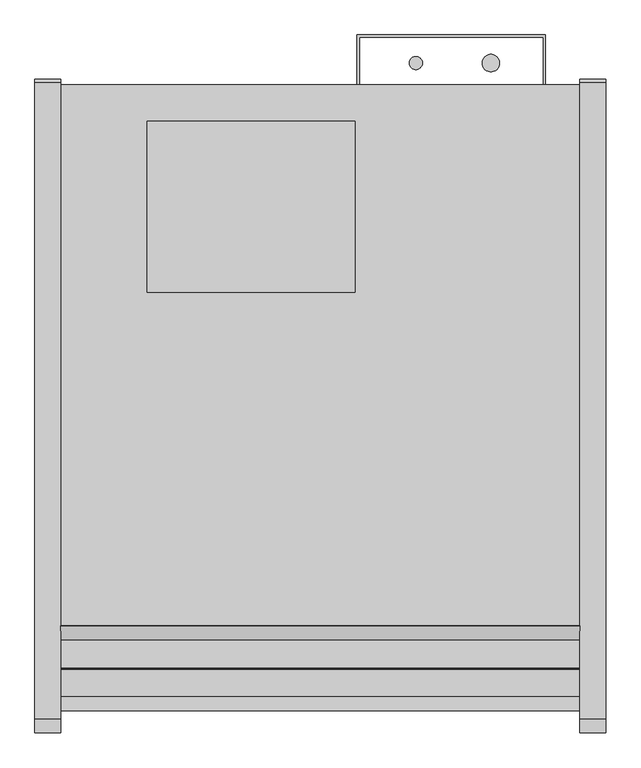
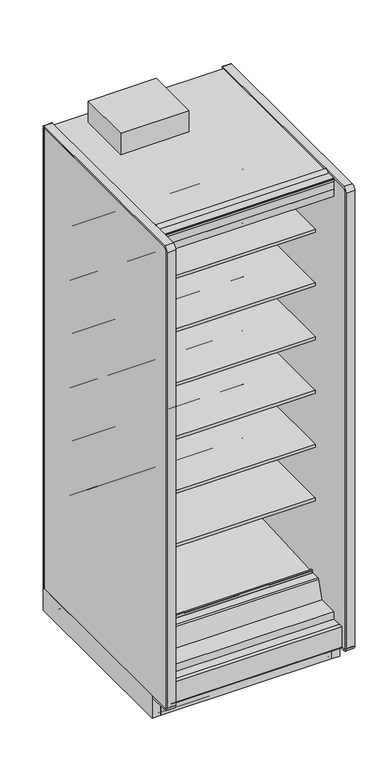
"""IFC4 building model written with IfcOpenShell, lengths in millimetres: proxy geometry."""

from ifc_helpers import new_model, si_unit, point, frame, frame_2d, origin, origin_with_axes, place, context, project, spatial, polyline, circle_curve, trimmed, segment, composite_curve, outline, extrude, source, transform, mapped, element, save
from ifc_brep_helpers import plane_surface, cylinder_surface, revolved_surface, advanced_brep


def mechanical_equipment_cd23ec35(model_context):
    return source(origin(), model_context, "Body", "SolidModel", [
        advanced_brep(
        [(762.0, -561.9634035, 344.1848334), (762.0, -564.2429044, 345.4296812), (762.0, -1026.8895371, 320.6518015), (762.0, -1030.5933535, 323.8714799), (762.0, -1031.0840219, 329.4798433), (762.0, -1038.0719408, 329.6038293), (762.0, -1036.3912863, 310.3938498), (762.0, -1029.7331167, 304.6059909), (762.0, -564.0987232, 329.0088554), (762.0, -561.0984251, 332.412155), (0.0, -561.9634035, 344.1848334), (0.0, -561.0984251, 332.412155), (0.0, -564.0987232, 329.0088554), (0.0, -1029.7331167, 304.6059909), (0.0, -1036.3912863, 310.3938498), (0.0, -1038.0719408, 329.6038293), (0.0, -1031.1453592, 329.474477), (0.0, -1030.5933535, 323.8714799), (0.0, -1026.8895371, 320.6518015), (0.0, -564.2429044, 345.4296812)],
        [
            (0, 1, circle_curve(frame((762.0, -564.1846976, 342.8267904), z_axis=(1.0, 0.0, 0.0), x_axis=(0.0, 1.0, 0.0)), 2.6035415)),
            (1, 2),
            (2, 3, circle_curve(frame((762.0, -1027.074408, 324.1793478), z_axis=(-1.0, 0.0, 0.0), x_axis=(0.0, 1.0, 0.0)), 3.5323874)),
            (3, 4),
            (4, 5, circle_curve(frame((762.0, -1034.6155275, 329.1708765), z_axis=(1.0, 0.0, 0.0), x_axis=(0.0, 1.0, 0.0)), 3.4834238)),
            (5, 6),
            (6, 7, circle_curve(frame((762.0, -1030.06545, 310.9472884), z_axis=(1.0, 0.0, 0.0), x_axis=(0.0, 1.0, 0.0)), 6.35)),
            (7, 8),
            (8, 9, circle_curve(frame((762.0, -564.2648898, 332.1795042), z_axis=(1.0, 0.0, 0.0), x_axis=(0.0, 1.0, 0.0)), 3.175)),
            (9, 0),
            (10, 11),
            (11, 12, circle_curve(frame((0.0, -564.2648898, 332.1795042), z_axis=(-1.0, 0.0, 0.0), x_axis=(0.0, 1.0, 0.0)), 3.175)),
            (12, 13),
            (13, 14, circle_curve(frame((0.0, -1030.06545, 310.9472884), z_axis=(-1.0, 0.0, 0.0), x_axis=(0.0, 1.0, 0.0)), 6.35)),
            (14, 15),
            (15, 16, circle_curve(frame((0.0, -1034.6155275, 329.1708765), z_axis=(-1.0, 0.0, 0.0), x_axis=(0.0, 1.0, 0.0)), 3.4834238)),
            (16, 17),
            (17, 18, circle_curve(frame((0.0, -1027.074408, 324.1793478), z_axis=(1.0, 0.0, 0.0), x_axis=(0.0, 1.0, 0.0)), 3.5323874)),
            (18, 19),
            (19, 10, circle_curve(frame((0.0, -564.1846976, 342.8267904), z_axis=(-1.0, 0.0, 0.0), x_axis=(0.0, 1.0, 0.0)), 2.6035415)),
            (0, 10),
            (19, 1),
            (18, 2),
            (17, 3),
            (16, 4),
            (15, 5),
            (14, 6),
            (13, 7),
            (12, 8),
            (11, 9),
        ],
        [
            plane_surface(frame((762.0, -561.5811561, 342.8267904), z_axis=(1.0, 0.0, 0.0), x_axis=(0.0, 0.0, 1.0))),
            plane_surface(frame((0.0, -561.5811561, 342.8267904), z_axis=(-1.0, 0.0, 0.0), x_axis=(0.0, 0.0, -1.0))),
            cylinder_surface(frame((0.0, -564.1846976, 342.8267904), z_axis=(1.0, 0.0, 0.0), x_axis=(0.0, 1.0, 0.0)), 2.6035415),
            plane_surface(frame((762.0, -564.2429044, 345.4296812), z_axis=(0.0, -0.05348016950002925, 0.9985689117283034), x_axis=(-1.0, 0.0, 0.0))),
            revolved_surface(polyline([(0.0, -1023.5420206, 324.1793478), (762.0, -1023.5420206, 324.1793478)]), (0.0, -1027.074408, 324.1793478), (-1.0, 0.0, 0.0)),
            plane_surface(frame((762.0, -1030.5933535, 323.8714799), z_axis=(0.0, 0.9961946955698885, 0.08715577157261226), x_axis=(-1.0, 0.0, 0.0))),
            cylinder_surface(frame((0.0, -1034.6155275, 329.1708765), z_axis=(1.0, 0.0, 0.0), x_axis=(0.0, 1.0, 0.0)), 3.4834238),
            plane_surface(frame((762.0, -1038.0719408, 329.6038293), z_axis=(0.0, -0.9961947025639891, -0.08715569162966595), x_axis=(-1.0, 0.0, 0.0))),
            cylinder_surface(frame((0.0, -1030.06545, 310.9472884), z_axis=(1.0, 0.0, 0.0), x_axis=(0.0, 1.0, 0.0)), 6.35),
            plane_surface(frame((762.0, -1029.7331167, 304.6059909), z_axis=(0.0, 0.05233595624301148, -0.9986295347545703), x_axis=(-1.0, 0.0, 0.0))),
            cylinder_surface(frame((0.0, -564.2648898, 332.1795042), z_axis=(1.0, 0.0, 0.0), x_axis=(0.0, 1.0, 0.0)), 3.175),
            plane_surface(frame((762.0, -561.0984251, 332.412155), z_axis=(0.0, 0.9973117114183067, 0.07327585050948485), x_axis=(-1.0, 0.0, 0.0))),
        ],
        [
            (0, [[1, 2, 3, 4, 5, 6, 7, 8, 9, 10]]),
            (1, [[11, 12, 13, 14, 15, 16, 17, 18, 19, 20]]),
            (2, [[-1, 21, -20, 22]]),
            (3, [[-2, -22, -19, 23]]),
            (4, [[-3, -23, -18, 24]]),
            (5, [[-4, -24, -17, 25]]),
            (6, [[-5, -25, -16, 26]]),
            (7, [[-6, -26, -15, 27]]),
            (8, [[-7, -27, -14, 28]]),
            (9, [[-8, -28, -13, 29]]),
            (10, [[-9, -29, -12, 30]]),
            (11, [[-10, -30, -11, -21]]),
        ],
    ),
        extrude(outline(polyline([(0.0, -76.2), (0.0, 0.0), (762.0, 0.0), (762.0, -76.2), (0.0, -76.2)])), frame((762.0, -1148.315718, 2172.3343709), z_axis=(0.0, 0.20791169081767066, 0.9781476007338246), x_axis=(-1.0, 0.0, 0.0)), (0.0, 0.0, 1.0), 12.7),
        extrude(outline(composite_curve([segment(polyline([(-450.7214273, 610.906076), (-468.9852913, 610.5955195)]), True, "CONTINUOUS"), segment(trimmed(circle_curve(frame_2d((-469.4171274, 635.9918483)), 25.4), [point((-468.9852913, 610.5955195))], [point((-485.3944836, 616.2463656))], False, "CARTESIAN"), True, "CONTINUOUS"), segment(polyline([(-485.3944836, 616.2463656), (-503.2465447, 630.6916311)]), True, "CONTINUOUS"), segment(trimmed(circle_curve(frame_2d((-543.1899354, 581.3279244)), 63.5), [point((-503.2465447, 630.6916311))], [point((-535.2920542, 644.3348563))], True, "CARTESIAN"), True, "CONTINUOUS"), segment(polyline([(-535.2920542, 644.3348563), (-749.7407218, 668.0319937), (-751.2294983, 671.4725458), (-1060.3214273, 671.4725458), (-1060.3214273, 685.6965458), (-450.7214273, 685.6965458), (-450.7214273, 610.906076)]), True, "CONTINUOUS")], self_intersect=False)), frame((0.0, 0.0, 0.0), z_axis=(1.0, 0.0, 0.0), x_axis=(0.0, 1.0, 0.0)), (0.0, 0.0, 1.0), 762.0),
        extrude(outline(composite_curve([segment(polyline([(-450.7214273, 864.906076), (-468.9852913, 864.5955195)]), True, "CONTINUOUS"), segment(trimmed(circle_curve(frame_2d((-469.4171274, 889.9918483)), 25.4), [point((-468.9852913, 864.5955195))], [point((-485.3944836, 870.2463656))], False, "CARTESIAN"), True, "CONTINUOUS"), segment(polyline([(-485.3944836, 870.2463656), (-503.2465447, 884.6916311)]), True, "CONTINUOUS"), segment(trimmed(circle_curve(frame_2d((-543.1899354, 835.3279244)), 63.5), [point((-503.2465447, 884.6916311))], [point((-535.2920542, 898.3348563))], True, "CARTESIAN"), True, "CONTINUOUS"), segment(polyline([(-535.2920542, 898.3348563), (-749.7407218, 922.0319937), (-751.2294983, 925.4725458), (-1060.3214273, 925.4725458), (-1060.3214273, 939.6965458), (-450.7214273, 939.6965458), (-450.7214273, 864.906076)]), True, "CONTINUOUS")], self_intersect=False)), frame((0.0, 0.0, 0.0), z_axis=(1.0, 0.0, 0.0), x_axis=(0.0, 1.0, 0.0)), (0.0, 0.0, 1.0), 762.0),
        extrude(outline(composite_curve([segment(polyline([(-450.7214273, 1118.906076), (-468.9852913, 1118.5955195)]), True, "CONTINUOUS"), segment(trimmed(circle_curve(frame_2d((-469.4171274, 1143.9918483)), 25.4), [point((-468.9852913, 1118.5955195))], [point((-485.3944836, 1124.2463656))], False, "CARTESIAN"), True, "CONTINUOUS"), segment(polyline([(-485.3944836, 1124.2463656), (-503.2465447, 1138.6916311)]), True, "CONTINUOUS"), segment(trimmed(circle_curve(frame_2d((-543.1899354, 1089.3279244)), 63.5), [point((-503.2465447, 1138.6916311))], [point((-535.2920542, 1152.3348563))], True, "CARTESIAN"), True, "CONTINUOUS"), segment(polyline([(-535.2920542, 1152.3348563), (-749.7407218, 1176.0319937), (-751.2294983, 1179.4725458), (-1060.3214273, 1179.4725458), (-1060.3214273, 1193.6965458), (-450.7214273, 1193.6965458), (-450.7214273, 1118.906076)]), True, "CONTINUOUS")], self_intersect=False)), frame((0.0, 0.0, 0.0), z_axis=(1.0, 0.0, 0.0), x_axis=(0.0, 1.0, 0.0)), (0.0, 0.0, 1.0), 762.0),
        extrude(outline(composite_curve([segment(polyline([(-450.7214273, 1372.906076), (-468.9852913, 1372.5955195)]), True, "CONTINUOUS"), segment(trimmed(circle_curve(frame_2d((-469.4171274, 1397.9918483)), 25.4), [point((-468.9852913, 1372.5955195))], [point((-485.3944836, 1378.2463656))], False, "CARTESIAN"), True, "CONTINUOUS"), segment(polyline([(-485.3944836, 1378.2463656), (-503.2465447, 1392.6916311)]), True, "CONTINUOUS"), segment(trimmed(circle_curve(frame_2d((-543.1899354, 1343.3279244)), 63.5), [point((-503.2465447, 1392.6916311))], [point((-535.2920542, 1406.3348563))], True, "CARTESIAN"), True, "CONTINUOUS"), segment(polyline([(-535.2920542, 1406.3348563), (-749.7407218, 1430.0319937), (-751.2294983, 1433.4725458), (-1060.3214273, 1433.4725458), (-1060.3214273, 1447.6965458), (-450.7214273, 1447.6965458), (-450.7214273, 1372.906076)]), True, "CONTINUOUS")], self_intersect=False)), frame((0.0, 0.0, 0.0), z_axis=(1.0, 0.0, 0.0), x_axis=(0.0, 1.0, 0.0)), (0.0, 0.0, 1.0), 762.0),
        extrude(outline(composite_curve([segment(polyline([(-450.7214273, 1626.906076), (-468.9852913, 1626.5955195)]), True, "CONTINUOUS"), segment(trimmed(circle_curve(frame_2d((-469.4171274, 1651.9918483)), 25.4), [point((-468.9852913, 1626.5955195))], [point((-485.3944836, 1632.2463656))], False, "CARTESIAN"), True, "CONTINUOUS"), segment(polyline([(-485.3944836, 1632.2463656), (-503.2465447, 1646.6916311)]), True, "CONTINUOUS"), segment(trimmed(circle_curve(frame_2d((-543.1899354, 1597.3279244)), 63.5), [point((-503.2465447, 1646.6916311))], [point((-535.2920542, 1660.3348563))], True, "CARTESIAN"), True, "CONTINUOUS"), segment(polyline([(-535.2920542, 1660.3348563), (-749.7407218, 1684.0319937), (-751.2294983, 1687.4725458), (-1060.3214273, 1687.4725458), (-1060.3214273, 1701.6965458), (-450.7214273, 1701.6965458), (-450.7214273, 1626.906076)]), True, "CONTINUOUS")], self_intersect=False)), frame((0.0, 0.0, 0.0), z_axis=(1.0, 0.0, 0.0), x_axis=(0.0, 1.0, 0.0)), (0.0, 0.0, 1.0), 762.0),
        extrude(outline(composite_curve([segment(polyline([(-450.7214273, 1880.906076), (-468.9852913, 1880.5955195)]), True, "CONTINUOUS"), segment(trimmed(circle_curve(frame_2d((-469.4171274, 1905.9918483)), 25.4), [point((-468.9852913, 1880.5955195))], [point((-485.3944836, 1886.2463656))], False, "CARTESIAN"), True, "CONTINUOUS"), segment(polyline([(-485.3944836, 1886.2463656), (-503.2465447, 1900.6916311)]), True, "CONTINUOUS"), segment(trimmed(circle_curve(frame_2d((-543.1899354, 1851.3279244)), 63.5), [point((-503.2465447, 1900.6916311))], [point((-535.2920542, 1914.3348563))], True, "CARTESIAN"), True, "CONTINUOUS"), segment(polyline([(-535.2920542, 1914.3348563), (-749.7407218, 1938.0319937), (-751.2294983, 1941.4725458), (-1060.3214273, 1941.4725458), (-1060.3214273, 1955.6965458), (-450.7214273, 1955.6965458), (-450.7214273, 1880.906076)]), True, "CONTINUOUS")], self_intersect=False)), frame((0.0, 0.0, 0.0), z_axis=(1.0, 0.0, 0.0), x_axis=(0.0, 1.0, 0.0)), (0.0, 0.0, 1.0), 762.0),
        extrude(outline(composite_curve([segment(polyline([(-399.4642273, 263.5334166), (-450.7214273, 263.5334166), (-450.7214273, 2180.7678), (-1054.683315, 2180.7678), (-1065.9723027, 2183.3740682), (-1068.4516793, 2171.7095186)]), True, "CONTINUOUS"), segment(trimmed(circle_curve(frame_2d((-1069.9423762, 2172.026376)), 1.524), [point((-1068.4516793, 2171.7095186))], [point((-1070.2592336, 2170.535679))], False, "CARTESIAN"), True, "CONTINUOUS"), segment(polyline([(-1070.2592336, 2170.535679), (-1146.9989273, 2186.8472045), (-1146.9989273, 2185.4610037)]), True, "CONTINUOUS"), segment(trimmed(circle_curve(frame_2d((-1149.3773343, 2185.6703219)), 2.3876), [point((-1146.9989273, 2185.4610037))], [point((-1149.3773343, 2183.2827219))], False, "CARTESIAN"), True, "CONTINUOUS"), segment(polyline([(-1149.3773343, 2183.2827219), (-1160.0080838, 2183.2827219), (-1160.0080838, 2198.5584119), (-1204.934197, 2198.5584119), (-1204.934197, 2231.5678), (-399.4642273, 2231.5678), (-399.4642273, 263.5334166)]), True, "CONTINUOUS")], self_intersect=False)), frame((0.0, 0.0, 0.0), z_axis=(1.0, 0.0, 0.0), x_axis=(0.0, 1.0, 0.0)), (0.0, 0.0, 1.0), 762.0),
        extrude(outline(polyline([(-1184.0321273, 137.6211945), (-1168.9318273, 134.4868212), (-1168.9318273, 0.0), (-1184.0321273, 0.0), (-1184.0321273, 137.6211945)])), frame((0.0, 0.0, 0.0), z_axis=(1.0, 0.0, 0.0), x_axis=(0.0, 1.0, 0.0)), (0.0, 0.0, 1.0), 762.0),
        extrude(outline(composite_curve([segment(polyline([(-1143.4147517, 2293.9163807), (-1142.8305517, 2292.9045166), (-1164.373752, 2280.4665441)]), True, "CONTINUOUS"), segment(trimmed(circle_curve(frame_2d((-1165.351652, 2282.1603166)), 1.9558), [point((-1164.373752, 2280.4665441))], [point((-1165.351652, 2280.2045166))], False, "CARTESIAN"), True, "CONTINUOUS"), segment(polyline([(-1165.351652, 2280.2045166), (-1204.146797, 2280.2045166)]), True, "CONTINUOUS"), segment(trimmed(circle_curve(frame_2d((-1204.146797, 2279.4171166)), 0.7874), [point((-1204.146797, 2280.2045166))], [point((-1204.934197, 2279.4171166))], True, "CARTESIAN"), True, "CONTINUOUS"), segment(polyline([(-1204.934197, 2279.4171166), (-1204.934197, 2271.1740275), (-1206.102597, 2271.1740275), (-1206.102597, 2279.4171166)]), True, "CONTINUOUS"), segment(trimmed(circle_curve(frame_2d((-1204.146797, 2279.4171166)), 1.9558), [point((-1206.102597, 2279.4171166))], [point((-1204.146797, 2281.3729166))], False, "CARTESIAN"), True, "CONTINUOUS"), segment(polyline([(-1204.146797, 2281.3729166), (-1165.8714792, 2281.3729166)]), True, "CONTINUOUS"), segment(trimmed(circle_curve(frame_2d((-1165.8714792, 2284.100338)), 2.7274214), [point((-1165.8714792, 2281.3729166))], [point((-1164.5077684, 2281.7383218))], True, "CARTESIAN"), True, "CONTINUOUS"), segment(polyline([(-1164.5077684, 2281.7383218), (-1143.4147517, 2293.9163807)]), True, "CONTINUOUS")], self_intersect=False)), frame((0.0, 0.0, 0.0), z_axis=(1.0, 0.0, 0.0), x_axis=(0.0, 1.0, 0.0)), (0.0, 0.0, 1.0), 762.0),
        extrude(outline(composite_curve([segment(trimmed(circle_curve(frame_2d((-389.0756273, 5.1562)), 5.1562), [point((-389.0756273, 0.0))], [point((-394.2318273, 5.1562))], False, "CARTESIAN"), True, "CONTINUOUS"), segment(polyline([(-394.2318273, 5.1562), (-394.2318273, 20.5359)]), True, "CONTINUOUS"), segment(trimmed(circle_curve(frame_2d((-396.6194273, 20.5359)), 2.3876), [point((-394.2318273, 20.5359))], [point((-396.6194273, 22.9235))], True, "CARTESIAN"), True, "CONTINUOUS"), segment(polyline([(-396.6194273, 22.9235), (-407.8462273, 22.9235)]), True, "CONTINUOUS"), segment(trimmed(circle_curve(frame_2d((-407.8462273, 20.5359)), 2.3876), [point((-407.8462273, 22.9235))], [point((-410.2338273, 20.5359))], True, "CARTESIAN"), True, "CONTINUOUS"), segment(polyline([(-410.2338273, 20.5359), (-410.2338273, 5.1054), (-413.0024273, 5.1054), (-413.0024273, 20.5359)]), True, "CONTINUOUS"), segment(trimmed(circle_curve(frame_2d((-407.8462273, 20.5359)), 5.1562), [point((-413.0024273, 20.5359))], [point((-407.8462273, 25.6921))], False, "CARTESIAN"), True, "CONTINUOUS"), segment(polyline([(-407.8462273, 25.6921), (-396.6194273, 25.6921)]), True, "CONTINUOUS"), segment(trimmed(circle_curve(frame_2d((-396.6194273, 20.5359)), 5.1562), [point((-396.6194273, 25.6921))], [point((-391.4632273, 20.5359))], False, "CARTESIAN"), True, "CONTINUOUS"), segment(polyline([(-391.4632273, 20.5359), (-391.4632273, 5.1562)]), True, "CONTINUOUS"), segment(trimmed(circle_curve(frame_2d((-389.0756273, 5.1562)), 2.3876), [point((-391.4632273, 5.1562))], [point((-389.0756273, 2.7686))], True, "CARTESIAN"), True, "CONTINUOUS"), segment(polyline([(-389.0756273, 2.7686), (-354.1633273, 2.7686)]), True, "CONTINUOUS"), segment(trimmed(circle_curve(frame_2d((-354.1633273, 5.1562)), 2.3876), [point((-354.1633273, 2.7686))], [point((-351.7757273, 5.1562))], True, "CARTESIAN"), True, "CONTINUOUS"), segment(polyline([(-351.7757273, 5.1562), (-351.7757273, 24.892), (-349.0071273, 24.892), (-349.0071273, 5.1562)]), True, "CONTINUOUS"), segment(trimmed(circle_curve(frame_2d((-354.1633273, 5.1562)), 5.1562), [point((-349.0071273, 5.1562))], [point((-354.1633273, 0.0))], False, "CARTESIAN"), True, "CONTINUOUS"), segment(polyline([(-354.1633273, 0.0), (-389.0756273, 0.0)]), True, "CONTINUOUS")], self_intersect=False)), frame((0.0, 0.0, 0.0), z_axis=(1.0, 0.0, 0.0), x_axis=(0.0, 1.0, 0.0)), (0.0, 0.0, 1.0), 762.0),
        extrude(outline(polyline([(431.8, -402.5757273), (431.8, -653.4642273), (127.0, -653.4642273), (127.0, -402.5757273), (431.8, -402.5757273)])), frame((0.0, 0.0, 2283.6853727), z_axis=(0.0, 0.0, 1.0), x_axis=(1.0, 0.0, 0.0)), (0.0, 0.0, 1.0), 100.7396273),
        extrude(outline(composite_curve([segment(trimmed(circle_curve(frame_2d((631.1930803, -317.2571273)), 12.7), [point((618.4930803, -317.2571273))], [point((643.8930803, -317.2571273))], False, "CARTESIAN"), True, "CONTINUOUS"), segment(trimmed(circle_curve(frame_2d((631.1930803, -317.2571273)), 12.7), [point((643.8930803, -317.2571273))], [point((618.4930803, -317.2571273))], False, "CARTESIAN"), True, "CONTINUOUS")], self_intersect=False)), frame((0.0, 0.0, 1447.6965458), z_axis=(0.0, 0.0, 1.0), x_axis=(1.0, 0.0, 0.0)), (0.0, 0.0, 1.0), 508.0),
        extrude(outline(composite_curve([segment(trimmed(circle_curve(frame_2d((521.2004524, -317.2571273)), 9.525), [point((511.6754524, -317.2571273))], [point((530.7254524, -317.2571273))], False, "CARTESIAN"), True, "CONTINUOUS"), segment(trimmed(circle_curve(frame_2d((521.2004524, -317.2571273)), 9.525), [point((530.7254524, -317.2571273))], [point((511.6754524, -317.2571273))], False, "CARTESIAN"), True, "CONTINUOUS")], self_intersect=False)), frame((0.0, 0.0, 1447.6965458), z_axis=(0.0, 0.0, 1.0), x_axis=(1.0, 0.0, 0.0)), (0.0, 0.0, 1.0), 508.0),
        extrude(outline(composite_curve([segment(trimmed(circle_curve(frame_2d((622.8004524, -526.8071273)), 9.525), [point((613.2754524, -526.8071273))], [point((632.3254524, -526.8071273))], False, "CARTESIAN"), True, "CONTINUOUS"), segment(trimmed(circle_curve(frame_2d((622.8004524, -526.8071273)), 9.525), [point((632.3254524, -526.8071273))], [point((613.2754524, -526.8071273))], False, "CARTESIAN"), True, "CONTINUOUS")], self_intersect=False)), frame((0.0, 0.0, 57.8450688), z_axis=(0.0, 0.0, 1.0), x_axis=(1.0, 0.0, 0.0)), (0.0, 0.0, 1.0), 47.3172812),
        extrude(outline(composite_curve([segment(trimmed(circle_curve(frame_2d((669.2930803, -526.8071273)), 12.7), [point((656.5930803, -526.8071273))], [point((681.9930803, -526.8071273))], False, "CARTESIAN"), True, "CONTINUOUS"), segment(trimmed(circle_curve(frame_2d((669.2930803, -526.8071273)), 12.7), [point((681.9930803, -526.8071273))], [point((656.5930803, -526.8071273))], False, "CARTESIAN"), True, "CONTINUOUS")], self_intersect=False)), frame((0.0, 0.0, 57.8450688), z_axis=(0.0, 0.0, 1.0), x_axis=(1.0, 0.0, 0.0)), (0.0, 0.0, 1.0), 47.3172812),
        advanced_brep(
        [(762.0, -351.7757273, 5.1562), (762.0, -351.7757273, 102.030341), (762.0, -354.5203863, 104.775), (762.0, -1016.877197, 104.775), (762.0, -1020.1132273, 101.5389697), (762.0, -1020.1132273, 5.1562), (762.0, -1017.7256273, 2.7686), (762.0, -985.1882273, 2.7686), (762.0, -985.1882273, 44.45), (762.0, -386.7007273, 44.45), (762.0, -386.7007273, 2.7686), (762.0, -354.1633273, 2.7686), (0.0, -351.7757273, 5.1562), (0.0, -354.1633273, 2.7686), (0.0, -386.7007273, 2.7686), (0.0, -386.7007273, 44.45), (0.0, -985.1882273, 44.45), (0.0, -985.1882273, 2.7686), (0.0, -1017.7256273, 2.7686), (0.0, -1020.1132273, 5.1562), (0.0, -1020.1132273, 101.5389697), (0.0, -1016.877197, 104.775), (0.0, -354.5203863, 104.775), (0.0, -351.7757273, 102.030341), (431.8, -945.9071273, 104.775), (330.2, -945.9071273, 104.775), (698.5, -526.8071273, 104.775), (596.9, -526.8071273, 104.775), (596.9, -526.8071273, 44.45), (698.5, -526.8071273, 44.45), (330.2, -945.9071273, 70.23735), (431.8, -945.9071273, 70.23735)],
        [
            (0, 1),
            (1, 2, circle_curve(frame((762.0, -354.5203863, 102.030341), z_axis=(1.0, 0.0, 0.0), x_axis=(0.0, 1.0, 0.0)), 2.744659)),
            (2, 3),
            (3, 4, circle_curve(frame((762.0, -1016.877197, 101.5389697), z_axis=(1.0, 0.0, 0.0), x_axis=(0.0, 1.0, 0.0)), 3.2360303)),
            (4, 5),
            (5, 6, circle_curve(frame((762.0, -1017.7256273, 5.1562), z_axis=(1.0, 0.0, 0.0), x_axis=(0.0, 1.0, 0.0)), 2.3876)),
            (6, 7),
            (7, 8),
            (8, 9),
            (9, 10),
            (10, 11),
            (11, 0, circle_curve(frame((762.0, -354.1633273, 5.1562), z_axis=(1.0, 0.0, 0.0), x_axis=(0.0, 1.0, 0.0)), 2.3876)),
            (12, 13, circle_curve(frame((0.0, -354.1633273, 5.1562), z_axis=(-1.0, 0.0, 0.0), x_axis=(0.0, 1.0, 0.0)), 2.3876)),
            (13, 14),
            (14, 15),
            (15, 16),
            (16, 17),
            (17, 18),
            (18, 19, circle_curve(frame((0.0, -1017.7256273, 5.1562), z_axis=(-1.0, 0.0, 0.0), x_axis=(0.0, 1.0, 0.0)), 2.3876)),
            (19, 20),
            (20, 21, circle_curve(frame((0.0, -1016.877197, 101.5389697), z_axis=(-1.0, 0.0, 0.0), x_axis=(0.0, 1.0, 0.0)), 3.2360303)),
            (21, 22),
            (22, 23, circle_curve(frame((0.0, -354.5203863, 102.030341), z_axis=(-1.0, 0.0, 0.0), x_axis=(0.0, 1.0, 0.0)), 2.744659)),
            (23, 12),
            (0, 12),
            (23, 1),
            (22, 2),
            (21, 3),
            (24, 25, circle_curve(frame((381.0, -945.9071273, 104.775), z_axis=(0.0, 0.0, -1.0), x_axis=(1.0, 0.0, 0.0)), 50.8)),
            (25, 24, circle_curve(frame((381.0, -945.9071273, 104.775), z_axis=(0.0, 0.0, -1.0), x_axis=(1.0, 0.0, 0.0)), 50.8)),
            (26, 27, circle_curve(frame((647.7, -526.8071273, 104.775), z_axis=(0.0, 0.0, -1.0), x_axis=(1.0, 0.0, 0.0)), 50.8)),
            (27, 26, circle_curve(frame((647.7, -526.8071273, 104.775), z_axis=(0.0, 0.0, -1.0), x_axis=(1.0, 0.0, 0.0)), 50.8)),
            (20, 4),
            (19, 5),
            (18, 6),
            (17, 7),
            (16, 8),
            (15, 9),
            (28, 29, circle_curve(frame((647.7, -526.8071273, 44.45), z_axis=(0.0, 0.0, 1.0), x_axis=(1.0, 0.0, 0.0)), 50.8)),
            (29, 28, circle_curve(frame((647.7, -526.8071273, 44.45), z_axis=(0.0, 0.0, 1.0), x_axis=(1.0, 0.0, 0.0)), 50.8)),
            (14, 10),
            (13, 11),
            (30, 31, circle_curve(frame((381.0, -945.9071273, 70.23735), z_axis=(0.0, 0.0, 1.0), x_axis=(1.0, 0.0, 0.0)), 50.8)),
            (31, 30, circle_curve(frame((381.0, -945.9071273, 70.23735), z_axis=(0.0, 0.0, 1.0), x_axis=(1.0, 0.0, 0.0)), 50.8)),
            (30, 25),
            (24, 31),
            (28, 27),
            (26, 29),
        ],
        [
            plane_surface(frame((762.0, -351.7757273, 124.7613392), z_axis=(1.0, 0.0, 0.0), x_axis=(0.0, 0.0, 1.0))),
            plane_surface(frame((0.0, -351.7757273, 124.7613392), z_axis=(-1.0, 0.0, 0.0), x_axis=(0.0, 0.0, -1.0))),
            plane_surface(frame((762.0, -351.7757273, 5.1562), z_axis=(0.0, 1.0, 0.0), x_axis=(-1.0, 0.0, 0.0))),
            cylinder_surface(frame((0.0, -354.5203863, 102.030341), z_axis=(1.0, 0.0, 0.0), x_axis=(0.0, 1.0, 0.0)), 2.744659),
            plane_surface(frame((762.0, -354.5203863, 104.775), z_axis=(0.0, 0.0, 1.0), x_axis=(-1.0, 0.0, 0.0))),
            cylinder_surface(frame((0.0, -1016.877197, 101.5389697), z_axis=(1.0, 0.0, 0.0), x_axis=(0.0, 1.0, 0.0)), 3.2360303),
            plane_surface(frame((762.0, -1020.1132273, 101.5389697), z_axis=(0.0, -1.0, 0.0), x_axis=(-1.0, 0.0, 0.0))),
            cylinder_surface(frame((0.0, -1017.7256273, 5.1562), z_axis=(1.0, 0.0, 0.0), x_axis=(0.0, 1.0, 0.0)), 2.3876),
            plane_surface(frame((762.0, -1017.7256273, 2.7686), z_axis=(0.0, 0.0, -1.0), x_axis=(-1.0, 0.0, 0.0))),
            plane_surface(frame((762.0, -985.1882273, 2.7686), z_axis=(0.0, 1.0, 0.0), x_axis=(-1.0, 0.0, 0.0))),
            plane_surface(frame((762.0, -985.1882273, 44.45), z_axis=(0.0, 0.0, -1.0), x_axis=(-1.0, 0.0, 0.0))),
            plane_surface(frame((762.0, -386.7007273, 44.45), z_axis=(0.0, -1.0, 0.0), x_axis=(-1.0, 0.0, 0.0))),
            plane_surface(frame((762.0, -386.7007273, 2.7686), z_axis=(0.0, 0.0, -1.0), x_axis=(-1.0, 0.0, 0.0))),
            cylinder_surface(frame((0.0, -354.1633273, 5.1562), z_axis=(1.0, 0.0, 0.0), x_axis=(0.0, 1.0, 0.0)), 2.3876),
            plane_surface(frame((431.8, -945.9071273, 70.23735), z_axis=(0.0, 0.0, 1.0), x_axis=(0.0, -1.0, 0.0))),
            revolved_surface(polyline([(431.8, -945.9071273, 104.775), (431.8, -945.9071273, 70.23735)]), (381.0, -945.9071273, 70.23735), (0.0, 0.0, 1.0)),
            revolved_surface(polyline([(698.5, -526.8071273, 104.775), (698.5, -526.8071273, 44.45)]), (647.7, -526.8071273, 0.0), (0.0, 0.0, 1.0)),
        ],
        [
            (0, [[1, 2, 3, 4, 5, 6, 7, 8, 9, 10, 11, 12]]),
            (1, [[13, 14, 15, 16, 17, 18, 19, 20, 21, 22, 23, 24]]),
            (2, [[-1, 25, -24, 26]]),
            (3, [[-2, -26, -23, 27]]),
            (4, [[-3, -27, -22, 28], [29, 30], [31, 32]]),
            (5, [[-4, -28, -21, 33]]),
            (6, [[-5, -33, -20, 34]]),
            (7, [[-6, -34, -19, 35]]),
            (8, [[-7, -35, -18, 36]]),
            (9, [[-8, -36, -17, 37]]),
            (10, [[-9, -37, -16, 38], [39, 40]]),
            (11, [[-10, -38, -15, 41]]),
            (12, [[-11, -41, -14, 42]]),
            (13, [[-12, -42, -13, -25]]),
            (14, [[43, 44]]),
            (15, [[-43, 45, -29, 46]]),
            (15, [[-44, -46, -30, -45]]),
            (16, [[47, -31, 48, -39]]),
            (16, [[-47, -40, -48, -32]]),
        ],
    ),
        extrude(outline(composite_curve([segment(polyline([(-982.8133273, 0.0), (-1017.7256273, 0.0)]), True, "CONTINUOUS"), segment(trimmed(circle_curve(frame_2d((-1017.7256273, 5.1562)), 5.1562), [point((-1017.7256273, 0.0))], [point((-1022.8818273, 5.1562))], False, "CARTESIAN"), True, "CONTINUOUS"), segment(polyline([(-1022.8818273, 5.1562), (-1022.8818273, 24.892), (-1020.1132273, 24.892), (-1020.1132273, 5.1562)]), True, "CONTINUOUS"), segment(trimmed(circle_curve(frame_2d((-1017.7256273, 5.1562)), 2.3876), [point((-1020.1132273, 5.1562))], [point((-1017.7256273, 2.7686))], True, "CARTESIAN"), True, "CONTINUOUS"), segment(polyline([(-1017.7256273, 2.7686), (-982.8133273, 2.7686)]), True, "CONTINUOUS"), segment(trimmed(circle_curve(frame_2d((-982.8133273, 5.1562)), 2.3876), [point((-982.8133273, 2.7686))], [point((-980.4257273, 5.1562))], True, "CARTESIAN"), True, "CONTINUOUS"), segment(polyline([(-980.4257273, 5.1562), (-980.4257273, 20.5359)]), True, "CONTINUOUS"), segment(trimmed(circle_curve(frame_2d((-975.2695273, 20.5359)), 5.1562), [point((-980.4257273, 20.5359))], [point((-975.2695273, 25.6921))], False, "CARTESIAN"), True, "CONTINUOUS"), segment(polyline([(-975.2695273, 25.6921), (-964.0427273, 25.6921)]), True, "CONTINUOUS"), segment(trimmed(circle_curve(frame_2d((-964.0427273, 20.5359)), 5.1562), [point((-964.0427273, 25.6921))], [point((-958.8865273, 20.5359))], False, "CARTESIAN"), True, "CONTINUOUS"), segment(polyline([(-958.8865273, 20.5359), (-958.8865273, 5.1054), (-961.6551273, 5.1054), (-961.6551273, 20.5359)]), True, "CONTINUOUS"), segment(trimmed(circle_curve(frame_2d((-964.0427273, 20.5359)), 2.3876), [point((-961.6551273, 20.5359))], [point((-964.0427273, 22.9235))], True, "CARTESIAN"), True, "CONTINUOUS"), segment(polyline([(-964.0427273, 22.9235), (-975.2695273, 22.9235)]), True, "CONTINUOUS"), segment(trimmed(circle_curve(frame_2d((-975.2695273, 20.5359)), 2.3876), [point((-975.2695273, 22.9235))], [point((-977.6571273, 20.5359))], True, "CARTESIAN"), True, "CONTINUOUS"), segment(polyline([(-977.6571273, 20.5359), (-977.6571273, 5.1562)]), True, "CONTINUOUS"), segment(trimmed(circle_curve(frame_2d((-982.8133273, 5.1562)), 5.1562), [point((-977.6571273, 5.1562))], [point((-982.8133273, 0.0))], False, "CARTESIAN"), True, "CONTINUOUS")], self_intersect=False)), frame((0.0, 0.0, 0.0), z_axis=(1.0, 0.0, 0.0), x_axis=(0.0, 1.0, 0.0)), (0.0, 0.0, 1.0), 762.0),
        extrude(outline(polyline([(800.1, -341.3672835), (800.1, -1184.0321273), (762.0, -1184.0321273), (762.0, -341.3672835), (800.1, -341.3672835)])), origin_with_axes(), (0.0, 0.0, 1.0), 105.16235),
        extrude(outline(polyline([(0.0, -341.3672835), (0.0, -1184.0321273), (-38.1, -1184.0321273), (-38.1, -341.3672835), (0.0, -341.3672835)])), origin_with_axes(), (0.0, 0.0, 1.0), 105.16235),
        extrude(outline(polyline([(434.975, -349.0071273), (434.975, -275.9821273), (711.2, -275.9821273), (711.2, -349.0071273), (708.025, -349.0071273), (708.025, -279.1571273), (438.15, -279.1571273), (438.15, -349.0071273), (434.975, -349.0071273)])), frame((0.0, 0.0, 304.927), z_axis=(0.0, 0.0, 1.0), x_axis=(1.0, 0.0, 0.0)), (0.0, 0.0, 1.0), 1523.3666145),
        extrude(outline(composite_curve([segment(polyline([(-1204.934197, 2231.5678), (-1204.934197, 2282.0376)]), True, "CONTINUOUS"), segment(trimmed(circle_curve(frame_2d((-1204.146797, 2282.0376)), 0.7874), [point((-1204.934197, 2282.0376))], [point((-1204.146797, 2282.825))], False, "CARTESIAN"), True, "CONTINUOUS"), segment(polyline([(-1204.146797, 2282.825), (-349.0071273, 2282.825), (-349.0071273, 105.16235), (-1245.5001273, 105.16235), (-1245.5001273, 201.2766923), (-1204.9341969, 201.2766923), (-1204.9341969, 141.9598426), (-1119.8033151, 124.2892029), (-399.4642273, 162.0405748), (-399.4642273, 2231.5678), (-1204.934197, 2231.5678)]), True, "CONTINUOUS")], self_intersect=False)), frame((0.0, 0.0, 0.0), z_axis=(1.0, 0.0, 0.0), x_axis=(0.0, 1.0, 0.0)), (0.0, 0.0, 1.0), 762.0),
        extrude(outline(composite_curve([segment(polyline([(-1254.0726273, 103.4174079), (-1265.1216273, 103.4174079)]), True, "CONTINUOUS"), segment(trimmed(circle_curve(frame_2d((-1265.1216273, 105.0684079)), 1.651), [point((-1265.1216273, 103.4174079))], [point((-1266.7726273, 105.0684079))], False, "CARTESIAN"), True, "CONTINUOUS"), segment(polyline([(-1266.7726273, 105.0684079), (-1266.7726273, 201.2766923), (-1245.5001273, 201.2766923), (-1245.5001273, 104.8779079), (-1254.0726273, 104.8779079), (-1254.0726273, 103.4174079)]), True, "CONTINUOUS")], self_intersect=False)), frame((0.0, 0.0, 0.0), z_axis=(1.0, 0.0, 0.0), x_axis=(0.0, 1.0, 0.0)), (0.0, 0.0, 1.0), 762.0),
        extrude(outline(composite_curve([segment(polyline([(-1204.9341969, 236.2009548), (-1112.2655229, 236.2009548), (-1085.4840574, 317.0386194)]), True, "CONTINUOUS"), segment(trimmed(circle_curve(frame_2d((-1079.4562504, 315.0416109)), 6.35), [point((-1085.4840574, 317.0386194))], [point((-1079.4562504, 321.3916109))], False, "CARTESIAN"), True, "CONTINUOUS"), segment(polyline([(-1079.4562504, 321.3916109), (-1042.3265632, 321.3916109)]), True, "CONTINUOUS"), segment(trimmed(circle_curve(frame_2d((-1042.3265632, 317.161475)), 4.2301359), [point((-1042.3265632, 321.3916109))], [point((-1038.0964273, 317.161475))], False, "CARTESIAN"), True, "CONTINUOUS"), segment(polyline([(-1038.0964273, 317.161475), (-1038.0964273, 302.496991), (-560.550461, 327.5241146), (-560.9721481, 339.5996547)]), True, "CONTINUOUS"), segment(trimmed(circle_curve(frame_2d((-556.4536725, 339.7574433)), 4.5212298), [point((-560.9721481, 339.5996547))], [point((-556.6114611, 344.2759189))], False, "CARTESIAN"), True, "CONTINUOUS"), segment(polyline([(-556.6114611, 344.2759189), (-470.5298654, 347.2819545)]), True, "CONTINUOUS"), segment(trimmed(circle_curve(frame_2d((-470.5794425, 348.7016581)), 1.420569), [point((-470.5298654, 347.2819545))], [point((-469.1597389, 348.7512352))], True, "CARTESIAN"), True, "CONTINUOUS"), segment(polyline([(-469.1597389, 348.7512352), (-469.2184151, 350.4315015)]), True, "CONTINUOUS"), segment(trimmed(circle_curve(frame_2d((-467.1682375, 350.5030952)), 2.0514273), [point((-469.2184151, 350.4315015))], [point((-467.5303136, 352.5223166))], False, "CARTESIAN"), True, "CONTINUOUS"), segment(polyline([(-467.5303136, 352.5223166), (-450.7214273, 352.5223166), (-450.7214273, 263.5334166), (-399.4642273, 263.5334166), (-399.4642273, 162.0405748), (-1119.8033151, 124.2892029), (-1204.9341969, 141.9598426), (-1204.9341969, 236.2009548)]), True, "CONTINUOUS")], self_intersect=False)), frame((0.0, 0.0, 0.0), z_axis=(1.0, 0.0, 0.0), x_axis=(0.0, 1.0, 0.0)), (0.0, 0.0, 1.0), 762.0),
        extrude(outline(composite_curve([segment(polyline([(-1018.5257273, 55.1029387), (-1024.5582273, 55.1180957), (-1024.5582273, -0.0063699), (-1163.8777056, 0.0051706)]), True, "CONTINUOUS"), segment(trimmed(circle_curve(frame_2d((-1163.8772869, 5.059711)), 5.0545404), [point((-1163.8777056, 0.0051706))], [point((-1168.9318273, 5.059711))], False, "CARTESIAN"), True, "CONTINUOUS"), segment(polyline([(-1168.9318273, 5.059711), (-1168.9318273, 134.4868212), (-1119.8033151, 124.2892029), (-1018.5257273, 129.5969363), (-1018.5257273, 55.1029387)]), True, "CONTINUOUS")], self_intersect=False)), frame((0.0, 0.0, 0.0), z_axis=(1.0, 0.0, 0.0), x_axis=(0.0, 1.0, 0.0)), (0.0, 0.0, 1.0), 762.0),
        extrude(outline(composite_curve([segment(trimmed(circle_curve(frame_2d((381.0, -945.9071273)), 38.1), [point((342.9, -945.9071273))], [point((419.1, -945.9071273))], False, "CARTESIAN"), True, "CONTINUOUS"), segment(trimmed(circle_curve(frame_2d((381.0, -945.9071273)), 38.1), [point((419.1, -945.9071273))], [point((342.9, -945.9071273))], False, "CARTESIAN"), True, "CONTINUOUS")], self_intersect=False)), frame((0.0, 0.0, 57.8450688), z_axis=(0.0, 0.0, 1.0), x_axis=(1.0, 0.0, 0.0)), (0.0, 0.0, 1.0), 47.3172812),
        extrude(outline(polyline([(114.3, -411.7999572), (114.3, -462.5999572), (0.0, -462.5999572), (0.0, -411.7999572), (114.3, -411.7999572)])), frame((0.0, 0.0, 63.88735), z_axis=(0.0, 0.0, 1.0), x_axis=(1.0, 0.0, 0.0)), (0.0, 0.0, 1.0), 6.35),
        extrude(outline(composite_curve([segment(trimmed(circle_curve(frame_2d((-1279.2821273, 2270.125)), 12.7), [point((-1279.2821273, 2282.825))], [point((-1291.9821273, 2270.125))], True, "CARTESIAN"), True, "CONTINUOUS"), segment(polyline([(-1291.9821273, 2270.125), (-1291.9821273, 117.86235)]), True, "CONTINUOUS"), segment(trimmed(circle_curve(frame_2d((-1279.2821273, 117.86235)), 12.7), [point((-1291.9821273, 117.86235))], [point((-1279.2821273, 105.16235))], True, "CARTESIAN"), True, "CONTINUOUS"), segment(polyline([(-1279.2821273, 105.16235), (-1184.0321273, 105.16235), (-1184.0321273, 97.5225063), (-1279.2821273, 97.5225063)]), True, "CONTINUOUS"), segment(trimmed(circle_curve(frame_2d((-1279.2821273, 117.86235)), 20.3398438), [point((-1279.2821273, 97.5225063))], [point((-1299.621971, 117.86235))], False, "CARTESIAN"), True, "CONTINUOUS"), segment(polyline([(-1299.621971, 117.86235), (-1299.621971, 2270.125)]), True, "CONTINUOUS"), segment(trimmed(circle_curve(frame_2d((-1279.2821273, 2270.125)), 20.3398437), [point((-1299.621971, 2270.125))], [point((-1279.2821273, 2290.4648438))], False, "CARTESIAN"), True, "CONTINUOUS"), segment(polyline([(-1279.2821273, 2290.4648438), (-345.8197692, 2290.4648438)]), True, "CONTINUOUS"), segment(trimmed(circle_curve(frame_2d((-345.8197692, 2286.0123581)), 4.4524857), [point((-345.8197692, 2290.4648438))], [point((-341.3672835, 2286.0123581))], False, "CARTESIAN"), True, "CONTINUOUS"), segment(polyline([(-341.3672835, 2286.0123581), (-341.3672835, 105.16235), (-349.0071273, 105.16235), (-349.0071273, 2282.825), (-1279.2821273, 2282.825)]), True, "CONTINUOUS")], self_intersect=False)), frame((762.0, 0.0, 0.0), z_axis=(1.0, 0.0, 0.0), x_axis=(0.0, 1.0, 0.0)), (0.0, 0.0, 1.0), 38.1),
        extrude(outline(composite_curve([segment(polyline([(-1279.2821273, 2282.825), (-349.0071273, 2282.825), (-349.0071273, 105.16235), (-1279.2821273, 105.16235)]), True, "CONTINUOUS"), segment(trimmed(circle_curve(frame_2d((-1279.2821273, 117.86235)), 12.7), [point((-1279.2821273, 105.16235))], [point((-1291.9821273, 117.86235))], False, "CARTESIAN"), True, "CONTINUOUS"), segment(polyline([(-1291.9821273, 117.86235), (-1291.9821273, 2270.125)]), True, "CONTINUOUS"), segment(trimmed(circle_curve(frame_2d((-1279.2821273, 2270.125)), 12.7), [point((-1291.9821273, 2270.125))], [point((-1279.2821273, 2282.825))], False, "CARTESIAN"), True, "CONTINUOUS")], self_intersect=False)), frame((762.0, 0.0, 0.0), z_axis=(1.0, 0.0, 0.0), x_axis=(0.0, 1.0, 0.0)), (0.0, 0.0, 1.0), 38.1),
        extrude(outline(composite_curve([segment(trimmed(circle_curve(frame_2d((-1279.2821273, 2270.125)), 12.7), [point((-1279.2821273, 2282.825))], [point((-1291.9821273, 2270.125))], True, "CARTESIAN"), True, "CONTINUOUS"), segment(polyline([(-1291.9821273, 2270.125), (-1291.9821273, 117.86235)]), True, "CONTINUOUS"), segment(trimmed(circle_curve(frame_2d((-1279.2821273, 117.86235)), 12.7), [point((-1291.9821273, 117.86235))], [point((-1279.2821273, 105.16235))], True, "CARTESIAN"), True, "CONTINUOUS"), segment(polyline([(-1279.2821273, 105.16235), (-1184.0321273, 105.16235), (-1184.0321273, 97.5225063), (-1279.2821273, 97.5225063)]), True, "CONTINUOUS"), segment(trimmed(circle_curve(frame_2d((-1279.2821273, 117.86235)), 20.3398438), [point((-1279.2821273, 97.5225063))], [point((-1299.621971, 117.86235))], False, "CARTESIAN"), True, "CONTINUOUS"), segment(polyline([(-1299.621971, 117.86235), (-1299.621971, 2270.125)]), True, "CONTINUOUS"), segment(trimmed(circle_curve(frame_2d((-1279.2821273, 2270.125)), 20.3398437), [point((-1299.621971, 2270.125))], [point((-1279.2821273, 2290.4648438))], False, "CARTESIAN"), True, "CONTINUOUS"), segment(polyline([(-1279.2821273, 2290.4648438), (-345.8197692, 2290.4648438)]), True, "CONTINUOUS"), segment(trimmed(circle_curve(frame_2d((-345.8197692, 2286.0123581)), 4.4524857), [point((-345.8197692, 2290.4648438))], [point((-341.3672835, 2286.0123581))], False, "CARTESIAN"), True, "CONTINUOUS"), segment(polyline([(-341.3672835, 2286.0123581), (-341.3672835, 105.16235), (-349.0071273, 105.16235), (-349.0071273, 2282.825), (-1279.2821273, 2282.825)]), True, "CONTINUOUS")], self_intersect=False)), frame((-38.1, 0.0, 0.0), z_axis=(1.0, 0.0, 0.0), x_axis=(0.0, 1.0, 0.0)), (0.0, 0.0, 1.0), 38.1),
        extrude(outline(composite_curve([segment(polyline([(-1279.2821273, 2282.825), (-349.0071273, 2282.825), (-349.0071273, 105.16235), (-1279.2821273, 105.16235)]), True, "CONTINUOUS"), segment(trimmed(circle_curve(frame_2d((-1279.2821273, 117.86235)), 12.7), [point((-1279.2821273, 105.16235))], [point((-1291.9821273, 117.86235))], False, "CARTESIAN"), True, "CONTINUOUS"), segment(polyline([(-1291.9821273, 117.86235), (-1291.9821273, 2270.125)]), True, "CONTINUOUS"), segment(trimmed(circle_curve(frame_2d((-1279.2821273, 2270.125)), 12.7), [point((-1291.9821273, 2270.125))], [point((-1279.2821273, 2282.825))], False, "CARTESIAN"), True, "CONTINUOUS")], self_intersect=False)), frame((-38.1, 0.0, 0.0), z_axis=(1.0, 0.0, 0.0), x_axis=(0.0, 1.0, 0.0)), (0.0, 0.0, 1.0), 38.1),
    ])


if __name__ == "__main__":
    model = new_model("IFC4")
    model_context = context("Model", 3, world=origin())
    ifc_project = project(units=[si_unit("LENGTHUNIT", "METRE", prefix="MILLI")], contexts=[model_context])
    site = spatial("IfcSite", under=ifc_project)
    building = spatial("IfcBuilding", under=site)
    placement = place(None, origin())
    mechanical_equipment_shape = mechanical_equipment_cd23ec35(model_context)
    element("IfcBuildingElementProxy", 1, Name="Mechanical Equipment", at=placement, inside=building, context=model_context, shape_type="MappedRepresentation", body=[
        mapped(mechanical_equipment_shape, transform((0.0, 0.0, 0.0), x_axis=(1.0, 0.0, 0.0), y_axis=(0.0, 1.0, 0.0), z_axis=(0.0, 0.0, 1.0))),
    ])
    save(model, "model.ifc")
